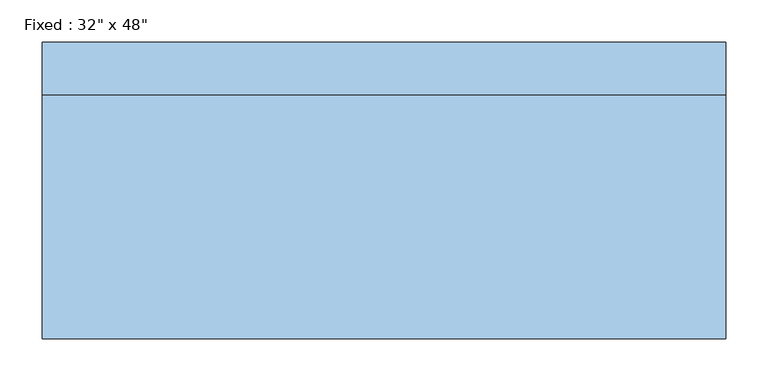
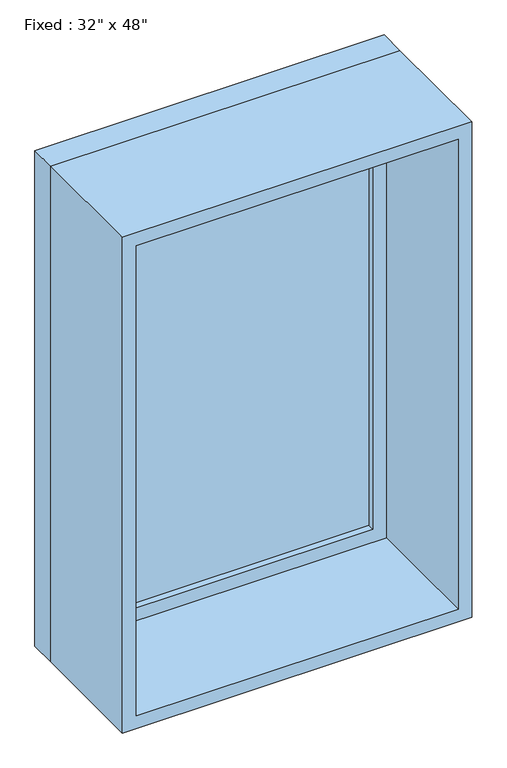
"""IFC4 building model written with IfcOpenShell, lengths in millimetres: window geometry."""

from ifc_helpers import new_model, si_unit, frame, origin, place, context, project, spatial, polyline, outline, extrude, source, transform, mapped, element, save


def window_79c4e295(model_context):
    return source(origin(), model_context, "Body", "SweptSolid", [
        extrude(outline(polyline([(304.8, 128.5875), (-381.0, 128.5875), (-381.0, 141.2875), (304.8, 141.2875), (304.8, 128.5875)])), frame((0.0, 0.0, 977.9), z_axis=(0.0, 0.0, 1.0), x_axis=(1.0, 0.0, 0.0)), (0.0, 0.0, 1.0), 1092.2),
        extrude(outline(polyline([(2114.55, -425.45), (933.45, -425.45), (933.45, 349.25), (2114.55, 349.25), (2114.55, -425.45)]), holes=[polyline([(2070.1, -381.0), (2070.1, 304.8), (977.9, 304.8), (977.9, -381.0), (2070.1, -381.0)])]), frame((0.0, 112.7125, 0.0), z_axis=(0.0, 1.0, 0.0), x_axis=(0.0, 0.0, 1.0)), (0.0, 0.0, 1.0), 44.45),
        extrude(outline(polyline([(2133.6, -444.5), (914.4, -444.5), (914.4, 368.3), (2133.6, 368.3), (2133.6, -444.5)]), holes=[polyline([(2101.85, -412.75), (2101.85, 336.55), (946.15, 336.55), (946.15, -412.75), (2101.85, -412.75)])]), frame((0.0, -176.2125, 0.0), z_axis=(0.0, 1.0, 0.0), x_axis=(0.0, 0.0, 1.0)), (0.0, 0.0, 1.0), 288.925),
        extrude(outline(polyline([(2133.6, 368.3), (2133.6, -444.5), (914.4, -444.5), (914.4, 368.3), (2133.6, 368.3)]), holes=[polyline([(2114.55, 349.25), (933.45, 349.25), (933.45, -425.45), (2114.55, -425.45), (2114.55, 349.25)])]), frame((0.0, 112.7125, 0.0), z_axis=(0.0, 1.0, 0.0), x_axis=(0.0, 0.0, 1.0)), (0.0, 0.0, 1.0), 63.5),
    ])


if __name__ == "__main__":
    model = new_model("IFC4")
    model_context = context("Model", 3, world=origin())
    ifc_project = project(units=[si_unit("LENGTHUNIT", "METRE", prefix="MILLI")], contexts=[model_context])
    site = spatial("IfcSite", under=ifc_project)
    building = spatial("IfcBuilding", under=site)
    placement = place(None, origin())
    window_shape = window_79c4e295(model_context)
    element("IfcWindow", 1, ObjectType="Fixed : 32\" x 48\"", at=placement, inside=building, context=model_context, shape_type="MappedRepresentation", body=[
        mapped(window_shape, transform((0.0, 0.0, 0.0), x_axis=(1.0, 0.0, 0.0), y_axis=(0.0, 1.0, 0.0), z_axis=(0.0, 0.0, 1.0))),
    ])
    save(model, "model.ifc")
